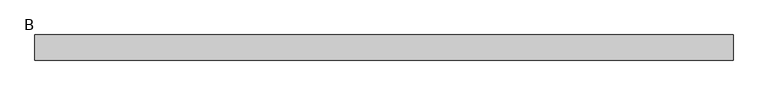
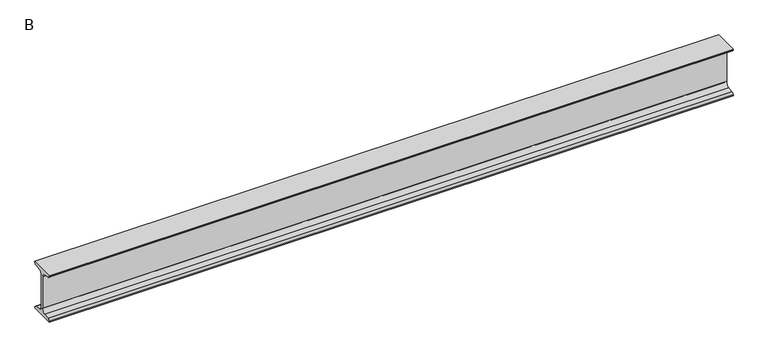
"""IFC4 building model written with IfcOpenShell, lengths in millimetres: beam geometry, B."""

from ifc_helpers import new_model, si_unit, point, frame, frame_2d, origin, place, context, project, spatial, polyline, circle_curve, trimmed, segment, composite_curve, outline, extrude, source, transform, mapped, element, save


def b_13f2d628(model_context):
    return source(origin(), model_context, "Body", "SweptSolid", [
        extrude(outline(composite_curve([segment(polyline([(25.0, 50.0), (25.0, 48.5034153)]), True, "CONTINUOUS"), segment(trimmed(circle_curve(frame_2d((20.5, 48.5034153)), 4.5), [point((25.0, 48.5034153))], [point((21.126279, 44.047209))], False, "CARTESIAN"), True, "CONTINUOUS"), segment(polyline([(21.126279, 44.047209), (10.0974421, 42.497207)]), True, "CONTINUOUS"), segment(trimmed(circle_curve(frame_2d((11.35, 33.5847944)), 9.0), [point((10.0974421, 42.497207))], [point((2.35, 33.5847944))], True, "CARTESIAN"), True, "CONTINUOUS"), segment(polyline([(2.35, 33.5847944), (2.35, -33.5847944)]), True, "CONTINUOUS"), segment(trimmed(circle_curve(frame_2d((11.35, -33.5847944)), 9.0), [point((2.35, -33.5847944))], [point((10.0974421, -42.497207))], True, "CARTESIAN"), True, "CONTINUOUS"), segment(polyline([(10.0974421, -42.497207), (21.126279, -44.047209)]), True, "CONTINUOUS"), segment(trimmed(circle_curve(frame_2d((20.5, -48.5034153)), 4.5), [point((21.126279, -44.047209))], [point((25.0, -48.5034153))], False, "CARTESIAN"), True, "CONTINUOUS"), segment(polyline([(25.0, -48.5034153), (25.0, -50.0), (-25.0, -50.0), (-25.0, -48.5034153)]), True, "CONTINUOUS"), segment(trimmed(circle_curve(frame_2d((-20.5, -48.5034153)), 4.5), [point((-25.0, -48.5034153))], [point((-21.126279, -44.047209))], False, "CARTESIAN"), True, "CONTINUOUS"), segment(polyline([(-21.126279, -44.047209), (-10.0974421, -42.497207)]), True, "CONTINUOUS"), segment(trimmed(circle_curve(frame_2d((-11.35, -33.5847944)), 9.0), [point((-10.0974421, -42.497207))], [point((-2.35, -33.5847944))], True, "CARTESIAN"), True, "CONTINUOUS"), segment(polyline([(-2.35, -33.5847944), (-2.35, 33.5847944)]), True, "CONTINUOUS"), segment(trimmed(circle_curve(frame_2d((-11.35, 33.5847944)), 9.0), [point((-2.35, 33.5847944))], [point((-10.0974421, 42.497207))], True, "CARTESIAN"), True, "CONTINUOUS"), segment(polyline([(-10.0974421, 42.497207), (-21.126279, 44.047209)]), True, "CONTINUOUS"), segment(trimmed(circle_curve(frame_2d((-20.5, 48.5034153)), 4.5), [point((-21.126279, 44.047209))], [point((-25.0, 48.5034153))], False, "CARTESIAN"), True, "CONTINUOUS"), segment(polyline([(-25.0, 48.5034153), (-25.0, 50.0), (25.0, 50.0)]), True, "CONTINUOUS")], self_intersect=False)), frame((-767.55, 0.0, 0.0), z_axis=(1.0, 0.0, 0.0), x_axis=(0.0, 1.0, 0.0)), (0.0, 0.0, 1.0), 1391.1),
    ])


if __name__ == "__main__":
    model = new_model("IFC4")
    model_context = context("Model", 3, world=origin())
    ifc_project = project(units=[si_unit("LENGTHUNIT", "METRE", prefix="MILLI")], contexts=[model_context])
    site = spatial("IfcSite", under=ifc_project)
    building = spatial("IfcBuilding", under=site)
    placement = place(None, origin())
    b_shape = b_13f2d628(model_context)
    element("IfcBeam", 1, ObjectType="B", at=placement, inside=building, context=model_context, shape_type="MappedRepresentation", body=[
        mapped(b_shape, transform((0.0, 0.0, 0.0), x_axis=(1.0, 0.0, 0.0), y_axis=(0.0, 1.0, 0.0), z_axis=(0.0, 0.0, 1.0))),
    ])
    save(model, "model.ifc")
